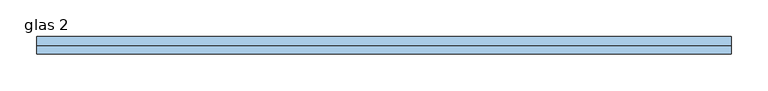
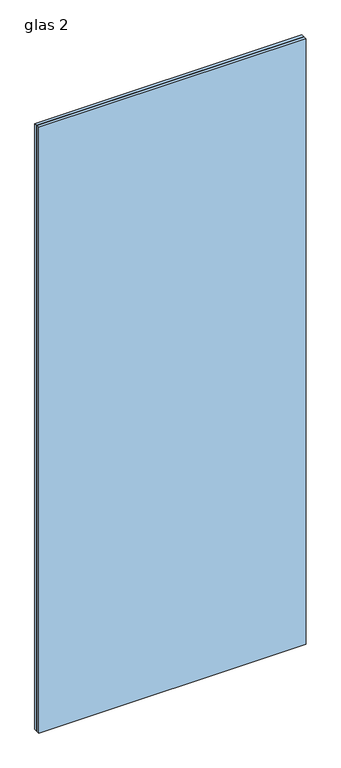
"""IFC4 building model written with IfcOpenShell, lengths in millimetres: window geometry, glas 2."""

from ifc_helpers import new_model, si_unit, origin, origin_with_axes, place, context, project, spatial, polyline, outline, extrude, source, transform, mapped, element, save


def glas_2_eb556ff4(model_context):
    return source(origin(), model_context, "Body", "SweptSolid", [
        extrude(outline(polyline([(-472.0833333, 12.0), (472.0833333, 12.0), (472.0833333, 0.0), (-472.0833333, 0.0), (-472.0833333, 12.0)])), origin_with_axes(), (0.0, 0.0, 1.0), 2259.5),
        extrude(outline(polyline([(-472.0833333, 0.0), (472.0833333, 0.0), (472.0833333, -12.0), (-472.0833333, -12.0), (-472.0833333, 0.0)])), origin_with_axes(), (0.0, 0.0, 1.0), 2259.5),
    ])


if __name__ == "__main__":
    model = new_model("IFC4")
    model_context = context("Model", 3, world=origin())
    ifc_project = project(units=[si_unit("LENGTHUNIT", "METRE", prefix="MILLI")], contexts=[model_context])
    site = spatial("IfcSite", under=ifc_project)
    building = spatial("IfcBuilding", under=site)
    placement = place(None, origin())
    glas_2_shape = glas_2_eb556ff4(model_context)
    element("IfcWindow", 1, ObjectType="glas 2", at=placement, inside=building, context=model_context, shape_type="MappedRepresentation", body=[
        mapped(glas_2_shape, transform((0.0, 0.0, 0.0), x_axis=(1.0, 0.0, 0.0), y_axis=(0.0, 1.0, 0.0), z_axis=(0.0, 0.0, 1.0))),
    ])
    save(model, "model.ifc")
